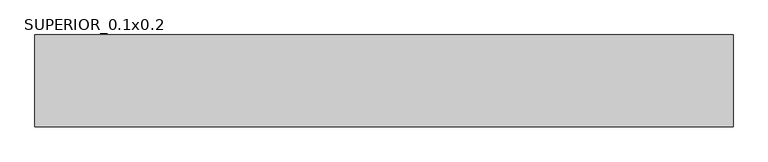
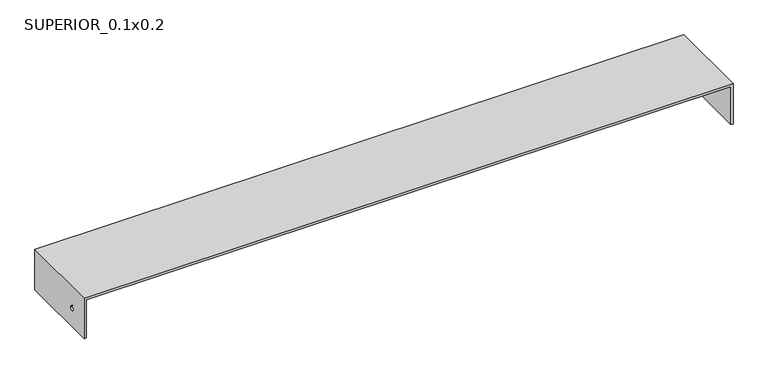
"""IFC4 building model written with IfcOpenShell, lengths in millimetres: proxy geometry, SUPERIOR_0.1x0.2."""

import ifcopenshell
import ifcopenshell.guid

model = None  # the IFC model being written
_history = None  # IfcOwnerHistory: only IFC2X3 demands one
_inside = {}  # id of a spatial element -> (the spatial element, [elements in it])
_under = {}  # id of a project, library or spatial element -> (it, [spatial elements below it])
_declared = {}  # id of a project -> (the project, [libraries it declares])
_typed = {}  # id of a type object -> (the type object, [elements of that type])
_made_of = {}  # id of a material, layer set ... -> (it, [elements and type objects made of it])


def new_model(schema):
    """Start an empty IFC model of exactly this schema.

    Asked for "IFC4X3", IfcOpenShell would pick the latest addendum, in which some entities
    have other attributes; the version numbers below select the first issue.
    IFC2X3 requires an IfcOwnerHistory on every rooted entity: one is made here for all.
    """
    global model, _history
    if schema == "IFC4X3":
        model = ifcopenshell.file(schema_version=(4, 3, 0, 0))
    else:
        model = ifcopenshell.file(schema=schema)
    _inside.clear()
    _under.clear()
    _declared.clear()
    _typed.clear()
    _made_of.clear()
    _history = None
    if model.schema == "IFC2X3":
        org = make("IfcOrganization", Name="unknown")
        user = make(
            "IfcPersonAndOrganization",
            ThePerson=make("IfcPerson", FamilyName="unknown"),
            TheOrganization=org,
        )
        app = make(
            "IfcApplication",
            ApplicationDeveloper=org,
            Version="unknown",
            ApplicationFullName="unknown",
            ApplicationIdentifier="unknown",
        )
        _history = make(
            "IfcOwnerHistory",
            OwningUser=user,
            OwningApplication=app,
            ChangeAction="ADDED",
            CreationDate=0,
        )
    return model


def make(cls, **values):
    """One entity of the class cls with the attributes given. An attribute that is None is left unset."""
    return model.create_entity(
        cls, **{name: value for name, value in values.items() if value is not None}
    )


def rooted(cls, **values):
    """An entity with a GlobalId (a new one), such as an element, a storey or a relation."""
    return make(cls, GlobalId=ifcopenshell.guid.new(), OwnerHistory=_history, **values)


def si_unit(unit_type, name, prefix=None):
    """IfcSIUnit, for example si_unit("LENGTHUNIT", "METRE", prefix="MILLI")."""
    return make("IfcSIUnit", UnitType=unit_type, Prefix=prefix, Name=name)


def assignment(units):
    """IfcUnitAssignment: the units of a project."""
    return None if units is None else make("IfcUnitAssignment", Units=units)


def point(xyz):
    """IfcCartesianPoint."""
    return None if xyz is None else make("IfcCartesianPoint", Coordinates=xyz)


def direction(xyz):
    """IfcDirection."""
    return None if xyz is None else make("IfcDirection", DirectionRatios=xyz)


def frame(location, z_axis=None, x_axis=None):
    """IfcAxis2Placement3D, a coordinate frame: its origin and axes. An axis left out is left unset."""
    return make(
        "IfcAxis2Placement3D",
        Location=point(location),
        Axis=direction(z_axis),
        RefDirection=direction(x_axis),
    )


def origin():
    """The frame at (0, 0, 0) with its axes left unset."""
    return frame((0.0, 0.0, 0.0))


def place(relative_to, where):
    """IfcLocalPlacement: puts the frame where relative to a parent placement (None: the world)."""
    return make(
        "IfcLocalPlacement", PlacementRelTo=relative_to, RelativePlacement=where
    )


def context(
    kind, dimensions, precision=None, world=None, true_north=None, identifier=None
):
    """IfcGeometricRepresentationContext, for example the 3D "Model" context."""
    return make(
        "IfcGeometricRepresentationContext",
        ContextIdentifier=identifier,
        ContextType=kind,
        CoordinateSpaceDimension=dimensions,
        Precision=precision,
        WorldCoordinateSystem=world,
        TrueNorth=true_north,
    )


def project(units=None, contexts=None):
    """IfcProject with its units and contexts."""
    return rooted(
        "IfcProject",
        Name="project",
        RepresentationContexts=contexts,
        UnitsInContext=assignment(units),
    )


def spatial(cls, under=None, at=None, **own):
    """A site, building, storey or space (cls), placed at a placement, below another one or the project."""
    s = rooted(cls, ObjectPlacement=at, **own)
    if under is not None:
        _under.setdefault(under.id(), (under, []))[1].append(s)
    return s


def polyline(points):
    """IfcPolyline through the points."""
    return make("IfcPolyline", Points=[point(p) for p in points])


def circle_curve(where, radius):
    """IfcCircle in the frame where."""
    return make("IfcCircle", Position=where, Radius=radius)


def shape(context_of_items, identifier, shape_type, items):
    """IfcShapeRepresentation: the items that make up one representation, for example the "Body"."""
    return make(
        "IfcShapeRepresentation",
        ContextOfItems=context_of_items,
        RepresentationIdentifier=identifier,
        RepresentationType=shape_type,
        Items=items,
    )


def source(mapping_origin, context_of_items, identifier, shape_type, items):
    """IfcRepresentationMap: a shape defined once, which mapped items show again and again."""
    return make(
        "IfcRepresentationMap",
        MappingOrigin=mapping_origin,
        MappedRepresentation=shape(context_of_items, identifier, shape_type, items),
    )


def transform(
    local_origin,
    x_axis=None,
    y_axis=None,
    z_axis=None,
    scale=None,
    scale2=None,
    scale3=None,
    uniform=True,
):
    """IfcCartesianTransformationOperator3D, or its non-uniform kind. x_axis, y_axis, z_axis: its Axis1, 2, 3."""
    if uniform:
        return make(
            "IfcCartesianTransformationOperator3D",
            Axis1=direction(x_axis),
            Axis2=direction(y_axis),
            LocalOrigin=point(local_origin),
            Scale=scale,
            Axis3=direction(z_axis),
        )
    return make(
        "IfcCartesianTransformationOperator3DnonUniform",
        Axis1=direction(x_axis),
        Axis2=direction(y_axis),
        LocalOrigin=point(local_origin),
        Scale=scale,
        Axis3=direction(z_axis),
        Scale2=scale2,
        Scale3=scale3,
    )


def mapped(mapping_source, mapping_target):
    """IfcMappedItem: shows the shape of a source again, moved by a transform."""
    return make(
        "IfcMappedItem", MappingSource=mapping_source, MappingTarget=mapping_target
    )


def made_of(thing, what):
    """Note that an element or type object is made of a material, layer set ...; save() writes the relation."""
    if what is not None:
        _made_of.setdefault(what.id(), (what, []))[1].append(thing)
    return thing


def element(
    cls,
    number,
    at=None,
    inside=None,
    cuts=None,
    type_object=None,
    material=None,
    context=None,
    identifier="Body",
    shape_type=None,
    held_by="IfcProductDefinitionShape",
    body=None,
    shapes=None,
    **own,
):
    """One element of the class cls, such as IfcWall. Its Tag is "e" and its number.

    at: its placement. inside: the storey or other place that contains it. cuts: it is an
    opening in that element (IfcRelVoidsElement). A single representation is given by context,
    identifier, shape_type and body (its items); several are given by shapes. held_by: the class
    of the entity that holds the representations. save() writes the other relations.
    """
    e = rooted(cls, Tag="e%d" % number, ObjectPlacement=at, **own)
    if body is not None:
        shapes = [shape(context, identifier, shape_type, body)]
    if shapes is not None:
        e.Representation = make(held_by, Representations=shapes)
    if inside is not None:
        _inside.setdefault(inside.id(), (inside, []))[1].append(e)
    if cuts is not None:
        rooted(
            "IfcRelVoidsElement", RelatingBuildingElement=cuts, RelatedOpeningElement=e
        )
    if type_object is not None:
        _typed.setdefault(type_object.id(), (type_object, []))[1].append(e)
    return made_of(e, material)


def aggregate(whole, parts):
    """IfcRelAggregates: a whole, such as a stair, and the parts it consists of."""
    return rooted("IfcRelAggregates", RelatingObject=whole, RelatedObjects=parts)


def save(model, path):
    """Write the relations noted so far, then the file.

    IfcRelAggregates (storeys below a building ...), IfcRelContainedInSpatialStructure (elements
    in a storey), IfcRelDefinesByType, IfcRelAssociatesMaterial and IfcRelDeclares: one each for
    every whole, place, type object, material and project.
    """
    for whole, parts in _under.values():
        aggregate(whole, parts)
    for where, things in _inside.values():
        rooted(
            "IfcRelContainedInSpatialStructure",
            RelatedElements=things,
            RelatingStructure=where,
        )
    for kind, things in _typed.values():
        rooted("IfcRelDefinesByType", RelatedObjects=things, RelatingType=kind)
    for what, things in _made_of.values():
        rooted("IfcRelAssociatesMaterial", RelatedObjects=things, RelatingMaterial=what)
    for by, libraries in _declared.values():
        rooted("IfcRelDeclares", RelatingContext=by, RelatedDefinitions=libraries)
    model.write(path)


def plane_surface(at):
    """IfcPlane: the flat surface through the origin of the frame at, square to its z axis."""
    return make("IfcPlane", Position=at)


def revolved_surface(curve, axis_point, axis_direction):
    """IfcSurfaceOfRevolution: the curve turned about the line through axis_point along axis_direction."""
    return make(
        "IfcSurfaceOfRevolution",
        SweptCurve=make("IfcArbitraryOpenProfileDef", ProfileType="CURVE", Curve=curve),
        AxisPosition=make("IfcAxis1Placement", Location=point(axis_point), Axis=direction(axis_direction)),
    )


def advanced_brep(points, edges, surfaces, faces):
    """IfcAdvancedBrep: a solid bounded by faces that lie on surfaces and meet in shared edges.

    An edge is (start, end): straight between two places in points (the first is 0);
    or (start, end, curve); or (start, end, curve, False) where it runs against its curve.
    A face is (place in surfaces, loops), or (place, loops, False) where it looks against
    its surface's normal. A loop lists edges by number (the first is 1), with a minus sign
    where the edge is run from its end to its start. The first loop is the outer one.
    """
    corners = [point(p) for p in points]
    vertices = [make("IfcVertexPoint", VertexGeometry=c) for c in corners]
    made = []
    for start, end, *more in edges:
        made.append(
            make(
                "IfcEdgeCurve",
                EdgeStart=vertices[start],
                EdgeEnd=vertices[end],
                EdgeGeometry=more[0] if more else make("IfcPolyline", Points=[corners[start], corners[end]]),
                SameSense=more[1] if len(more) > 1 else True,
            )
        )
    hull = []
    for where, loops, *sense in faces:
        bounds = []
        for j, loop in enumerate(loops):
            ring = [make("IfcOrientedEdge", EdgeElement=made[abs(k) - 1], Orientation=k > 0) for k in loop]
            bounds.append(
                make(
                    "IfcFaceOuterBound" if j == 0 else "IfcFaceBound",
                    Bound=make("IfcEdgeLoop", EdgeList=ring),
                    Orientation=True,
                )
            )
        hull.append(make("IfcAdvancedFace", Bounds=bounds, FaceSurface=surfaces[where], SameSense=sense[0] if sense else True))
    return make("IfcAdvancedBrep", Outer=make("IfcClosedShell", CfsFaces=hull))


def superior_0_1x0_2_ead52a00(model_context):
    return source(origin(), model_context, "Body", "AdvancedBrep", [
        advanced_brep(
        [(5.0, 200.0, -95.0), (5.0, 0.0, -95.0), (0.0, 0.0, -95.0), (0.0, 200.0, -95.0), (0.0, 200.0, 5.0), (1520.0, 200.0, 5.0), (1520.0, 200.0, -95.0), (1515.0, 200.0, -95.0), (1515.0, 200.0, 0.0), (5.0, 200.0, 0.0), (0.0, 0.0, 5.0), (0.0, 45.1299677, -50.0), (0.0, 55.1299677, -50.0), (5.0, 0.0, 0.0), (1515.0, 0.0, 0.0), (1515.0, 0.0, -95.0), (1520.0, 0.0, -95.0), (1520.0, 0.0, 5.0), (5.0, 55.1299677, -50.0), (5.0, 45.1299677, -50.0)],
        [
            (0, 1),
            (1, 2),
            (2, 3),
            (3, 0),
            (3, 4),
            (4, 5),
            (5, 6),
            (6, 7),
            (7, 8),
            (8, 9),
            (9, 0),
            (2, 10),
            (10, 4),
            (11, 12, circle_curve(frame((0.0, 50.1299677, -50.0), z_axis=(1.0, 0.0, 0.0), x_axis=(0.0, 1.0, 0.0)), 5.0)),
            (12, 11, circle_curve(frame((0.0, 50.1299677, -50.0), z_axis=(1.0, 0.0, 0.0), x_axis=(0.0, 1.0, 0.0)), 5.0)),
            (1, 13),
            (13, 14),
            (14, 15),
            (15, 16),
            (16, 17),
            (17, 10),
            (9, 13),
            (18, 19, circle_curve(frame((5.0, 50.1299677, -50.0), z_axis=(-1.0, 0.0, 0.0), x_axis=(0.0, 1.0, 0.0)), 5.0)),
            (19, 18, circle_curve(frame((5.0, 50.1299677, -50.0), z_axis=(-1.0, 0.0, 0.0), x_axis=(0.0, 1.0, 0.0)), 5.0)),
            (17, 5),
            (8, 14),
            (16, 6),
            (11, 19),
            (18, 12),
            (15, 7),
        ],
        [
            plane_surface(frame((0.0, 200.0, -95.0), z_axis=(0.0, 0.0, -1.0), x_axis=(1.0, 0.0, 0.0))),
            plane_surface(frame((5.0, 200.0, 0.0), z_axis=(0.0, 1.0, 0.0), x_axis=(0.0, 0.0, -1.0))),
            plane_surface(frame((0.0, 200.0, 0.0), z_axis=(-1.0, 0.0, 0.0), x_axis=(0.0, 0.0, -1.0))),
            plane_surface(frame((0.0, 0.0, 0.0), z_axis=(0.0, -1.0, 0.0), x_axis=(0.0, 0.0, -1.0))),
            plane_surface(frame((5.0, 0.0, 0.0), z_axis=(1.0, 0.0, 0.0), x_axis=(0.0, 0.0, -1.0))),
            plane_surface(frame((0.0, 0.0, 5.0), z_axis=(0.0, 0.0, 1.0), x_axis=(0.0, -1.0, 0.0))),
            plane_surface(frame((0.0, 0.0, 0.0), z_axis=(0.0, 0.0, -1.0), x_axis=(0.0, 1.0, 0.0))),
            plane_surface(frame((1520.0, 0.0, 5.0), z_axis=(1.0, 0.0, 0.0), x_axis=(0.0, 0.0, -1.0))),
            revolved_surface(polyline([(5.0, 55.1299677, -50.0), (0.0, 55.1299677, -50.0)]), (0.0, 50.1299677, -50.0), (1.0, 0.0, 0.0)),
            plane_surface(frame((1515.0, 200.0, -95.0), z_axis=(0.0, 0.0, -1.0), x_axis=(0.0, 1.0, 0.0))),
            plane_surface(frame((1515.0, 200.0, 0.0), z_axis=(-1.0, 0.0, 0.0), x_axis=(0.0, 0.0, -1.0))),
        ],
        [
            (0, [[1, 2, 3, 4]]),
            (1, [[-4, 5, 6, 7, 8, 9, 10, 11]]),
            (2, [[-3, 12, 13, -5], [14, 15]]),
            (3, [[-2, 16, 17, 18, 19, 20, 21, -12]]),
            (4, [[-1, -11, 22, -16], [23, 24]]),
            (5, [[-13, -21, 25, -6]]),
            (6, [[-22, -10, 26, -17]]),
            (7, [[-25, -20, 27, -7]]),
            (8, [[28, -23, 29, -14]]),
            (8, [[-28, -15, -29, -24]]),
            (9, [[-8, -27, -19, 30]]),
            (10, [[-30, -18, -26, -9]]),
        ],
    ),
    ])


if __name__ == "__main__":
    model = new_model("IFC4")
    model_context = context("Model", 3, world=origin())
    ifc_project = project(units=[si_unit("LENGTHUNIT", "METRE", prefix="MILLI")], contexts=[model_context])
    site = spatial("IfcSite", under=ifc_project)
    building = spatial("IfcBuilding", under=site)
    placement = place(None, origin())
    superior_0_1x0_2_shape = superior_0_1x0_2_ead52a00(model_context)
    element("IfcBuildingElementProxy", 1, Name="SUPERIOR_0.1x0.2", ObjectType="SUPERIOR_0.1x0.2", at=placement, inside=building, context=model_context, shape_type="MappedRepresentation", body=[
        mapped(superior_0_1x0_2_shape, transform((0.0, 0.0, 0.0), x_axis=(1.0, 0.0, 0.0), y_axis=(0.0, 1.0, 0.0), z_axis=(0.0, 0.0, 1.0))),
    ])
    save(model, "model.ifc")
